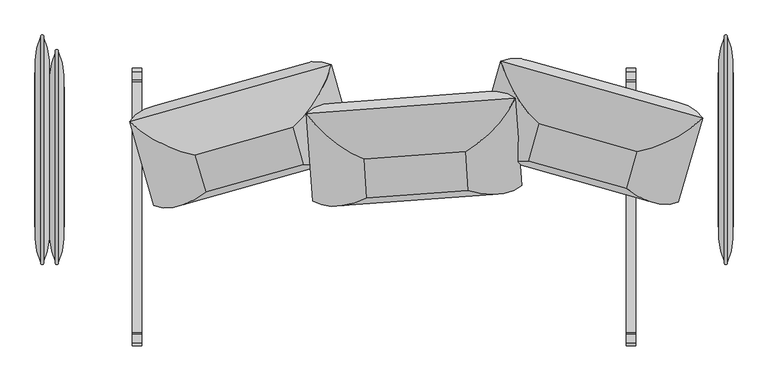
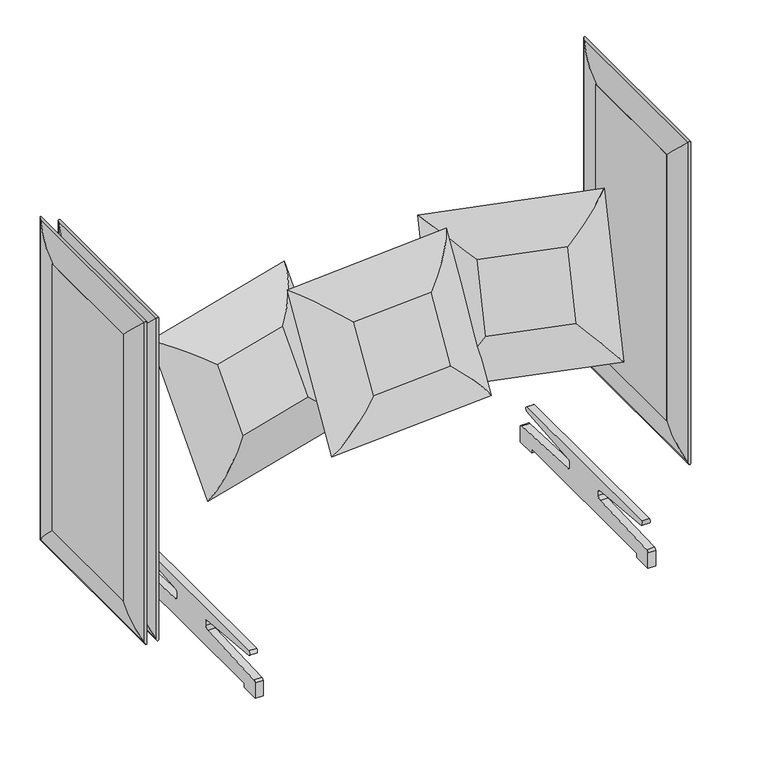
"""IFC4 building model written with IfcOpenShell, lengths in millimetres: furniture geometry."""

from ifc_helpers import new_model, si_unit, point, frame, frame_2d, origin, place, context, project, spatial, polyline, circle_curve, ellipse_curve, trimmed, segment, composite_curve, outline, extrude, source, transform, mapped, element, save
from ifc_brep_helpers import plane_surface, cylinder_surface, advanced_brep


def furniture_a6ee7dcc(model_context):
    return source(origin(), model_context, "Body", "SolidModel", [
        advanced_brep(
        [(874.0720019, -73.025, 1163.5628297), (874.0720019, -73.025, 238.959069), (888.816915, -166.1563317, 145.8277373), (888.816915, -166.1563317, 1256.6941614), (910.2779981, -73.025, 1163.5628297), (910.2779981, -73.025, 238.959069), (895.533085, -166.1563317, 1256.6941614), (895.533085, -166.1563317, 145.8277373), (874.0720019, 330.2, 238.959069), (888.816915, 423.3313317, 145.8277373), (910.2779981, 330.2, 238.959069), (895.533085, 423.3313317, 145.8277373), (874.0720019, 330.2, 1163.5628297), (888.816915, 423.3313317, 1256.6941614), (910.2779981, 330.2, 1163.5628297), (895.533085, 423.3313317, 1256.6941614)],
        [
            (0, 1),
            (1, 2, ellipse_curve(frame((1057.4693158, -91.7217286, 220.2623404), z_axis=(0.0, -0.7071067811865475, 0.7071067811865475), x_axis=(0.0, 0.7071067811865474, 0.7071067811865476)), 260.707278, 184.3478842)),
            (2, 3),
            (3, 0, ellipse_curve(frame((1057.4693158, -91.7217286, 1182.2595584), z_axis=(0.0, -0.7071067811865475, -0.7071067811865475), x_axis=(0.0, -0.7071067811865474, 0.7071067811865476)), 260.707278, 184.3478842)),
            (4, 5),
            (5, 1),
            (0, 4),
            (6, 7),
            (7, 5, ellipse_curve(frame((726.8806842, -91.7217286, 220.2623404), z_axis=(0.0, -0.7071067811865475, 0.7071067811865475), x_axis=(0.0, 0.7071067811865474, 0.7071067811865476)), 260.707278, 184.3478842)),
            (4, 6, ellipse_curve(frame((726.8806842, -91.7217286, 1182.2595584), z_axis=(0.0, -0.7071067811865475, -0.7071067811865475), x_axis=(0.0, -0.7071067811865474, 0.7071067811865476)), 260.707278, 184.3478842)),
            (2, 7, ellipse_curve(frame((892.175, -167.7744455, 144.2096235), z_axis=(0.0, -0.7071067811865475, 0.7071067811865475), x_axis=(0.0, 0.7071067811865474, 0.7071067811865476)), 5.2716273, 3.7276034)),
            (6, 3, ellipse_curve(frame((892.175, -167.7744455, 1258.3122753), z_axis=(0.0, -0.7071067811865475, -0.7071067811865475), x_axis=(0.0, -0.7071067811865474, 0.7071067811865476)), 5.2716273, 3.7276034)),
            (1, 8),
            (8, 9, ellipse_curve(frame((1057.4693158, 348.8967286, 220.2623404), z_axis=(0.0, -0.7071067811865475, -0.7071067811865475), x_axis=(0.0, -0.7071067811865476, 0.7071067811865474)), 260.707278, 184.3478842)),
            (9, 2),
            (5, 10),
            (10, 8),
            (7, 11),
            (11, 10, ellipse_curve(frame((726.8806842, 348.8967286, 220.2623404), z_axis=(0.0, -0.7071067811865475, -0.7071067811865475), x_axis=(0.0, -0.7071067811865476, 0.7071067811865474)), 260.707278, 184.3478842)),
            (9, 11, ellipse_curve(frame((892.175, 424.9494455, 144.2096235), z_axis=(0.0, -0.7071067811865475, -0.7071067811865475), x_axis=(0.0, -0.7071067811865476, 0.7071067811865474)), 5.2716273, 3.7276034)),
            (8, 12),
            (12, 13, ellipse_curve(frame((1057.4693158, 348.8967286, 1182.2595584), z_axis=(0.0, 0.7071067811865475, -0.7071067811865475), x_axis=(0.0, -0.7071067811865474, -0.7071067811865476)), 260.707278, 184.3478842)),
            (13, 9),
            (10, 14),
            (14, 12),
            (11, 15),
            (15, 14, ellipse_curve(frame((726.8806842, 348.8967286, 1182.2595584), z_axis=(0.0, 0.7071067811865475, -0.7071067811865475), x_axis=(0.0, -0.7071067811865474, -0.7071067811865476)), 260.707278, 184.3478842)),
            (13, 15, ellipse_curve(frame((892.175, 424.9494455, 1258.3122753), z_axis=(0.0, 0.7071067811865475, -0.7071067811865475), x_axis=(0.0, -0.7071067811865474, -0.7071067811865476)), 5.2716273, 3.7276034)),
            (12, 0),
            (3, 13),
            (14, 4),
            (15, 6),
        ],
        [
            cylinder_surface(frame((1057.4693158, -91.7217286, 1163.5628297), z_axis=(0.0, 0.0, 1.0), x_axis=(-1.0000000000000002, 0.0, 0.0)), 184.3478842),
            plane_surface(frame((874.0720019, -73.025, 1163.5628297), z_axis=(0.0, 1.0, 0.0), x_axis=(0.0, 0.0, -1.0))),
            cylinder_surface(frame((726.8806842, -91.7217286, 1163.5628297), z_axis=(0.0, 0.0, 1.0), x_axis=(-1.0000000000000002, 0.0, 0.0)), 184.3478842),
            cylinder_surface(frame((892.175, -167.7744455, 1163.5628297), z_axis=(0.0, 0.0, 1.0), x_axis=(-1.0000000000000002, 0.0, 0.0)), 3.7276034),
            cylinder_surface(frame((1057.4693158, -73.025, 220.2623404), z_axis=(0.0, -1.0000000000000002, 0.0), x_axis=(-1.0000000000000002, 0.0, 0.0)), 184.3478842),
            plane_surface(frame((874.0720019, -73.025, 238.959069), z_axis=(0.0, 0.0, 1.0), x_axis=(0.0, 1.0, 0.0))),
            cylinder_surface(frame((726.8806842, -73.025, 220.2623404), z_axis=(0.0, -1.0000000000000002, 0.0), x_axis=(-1.0000000000000002, 0.0, 0.0)), 184.3478842),
            cylinder_surface(frame((892.175, -73.025, 144.2096235), z_axis=(0.0, -1.0000000000000002, 0.0), x_axis=(-1.0000000000000002, 0.0, 0.0)), 3.7276034),
            cylinder_surface(frame((1057.4693158, 348.8967286, 238.959069), z_axis=(0.0, 0.0, -1.0), x_axis=(-1.0000000000000002, 0.0, 0.0)), 184.3478842),
            plane_surface(frame((874.0720019, 330.2, 238.959069), z_axis=(0.0, -1.0, 0.0), x_axis=(0.0, 0.0, 1.0))),
            cylinder_surface(frame((726.8806842, 348.8967286, 238.959069), z_axis=(0.0, 0.0, -1.0), x_axis=(-1.0000000000000002, 0.0, 0.0)), 184.3478842),
            cylinder_surface(frame((892.175, 424.9494455, 238.959069), z_axis=(0.0, 0.0, -1.0), x_axis=(-1.0000000000000002, 0.0, 0.0)), 3.7276034),
            cylinder_surface(frame((1057.4693158, 330.2, 1182.2595584), z_axis=(0.0, 1.0000000000000002, 0.0), x_axis=(-1.0000000000000002, 0.0, 0.0)), 184.3478842),
            plane_surface(frame((874.0720019, 330.2, 1163.5628297), z_axis=(0.0, 0.0, -1.0), x_axis=(0.0, -1.0, 0.0))),
            cylinder_surface(frame((726.8806842, 330.2, 1182.2595584), z_axis=(0.0, 1.0000000000000002, 0.0), x_axis=(-1.0000000000000002, 0.0, 0.0)), 184.3478842),
            cylinder_surface(frame((892.175, 330.2, 1258.3122753), z_axis=(0.0, 1.0000000000000002, 0.0), x_axis=(-1.0000000000000002, 0.0, 0.0)), 3.7276034),
        ],
        [
            (0, [[1, 2, 3, 4]]),
            (1, [[5, 6, -1, 7]]),
            (2, [[8, 9, -5, 10]]),
            (3, [[-3, 11, -8, 12]]),
            (4, [[13, 14, 15, -2]]),
            (5, [[16, 17, -13, -6]]),
            (6, [[18, 19, -16, -9]]),
            (7, [[-15, 20, -18, -11]]),
            (8, [[21, 22, 23, -14]]),
            (9, [[24, 25, -21, -17]]),
            (10, [[26, 27, -24, -19]]),
            (11, [[-23, 28, -26, -20]]),
            (12, [[29, -4, 30, -22]]),
            (13, [[31, -7, -29, -25]]),
            (14, [[32, -10, -31, -27]]),
            (15, [[-30, -12, -32, -28]]),
        ],
    ),
        extrude(outline(polyline([(911.225, 330.2), (911.225, -73.025), (873.125, -73.025), (873.125, 330.2), (911.225, 330.2)])), frame((0.0, 0.0, 238.959069), z_axis=(0.0, 0.0, 1.0), x_axis=(1.0, 0.0, 0.0)), (0.0, 0.0, 1.0), 924.6037607),
        advanced_brep(
        [(-835.9720019, -73.025, 1163.5628297), (-850.716915, -166.1563317, 1256.6941614), (-850.716915, -166.1563317, 145.8277373), (-835.9720019, -73.025, 238.959069), (-872.1779981, -73.025, 1163.5628297), (-872.1779981, -73.025, 238.959069), (-857.433085, -166.1563317, 1256.6941614), (-857.433085, -166.1563317, 145.8277373), (-850.716915, 385.2313317, 145.8277373), (-835.9720019, 292.1, 238.959069), (-872.1779981, 292.1, 238.959069), (-857.433085, 385.2313317, 145.8277373), (-850.716915, 385.2313317, 1256.6941614), (-835.9720019, 292.1, 1163.5628297), (-872.1779981, 292.1, 1163.5628297), (-857.433085, 385.2313317, 1256.6941614)],
        [
            (0, 1, ellipse_curve(frame((-1019.3693158, -91.7217286, 1182.2595584), z_axis=(0.0, -0.7071067811865475, -0.7071067811865475), x_axis=(0.0, -0.7071067811865474, 0.7071067811865476)), 260.707278, 184.3478842)),
            (1, 2),
            (2, 3, ellipse_curve(frame((-1019.3693158, -91.7217286, 220.2623404), z_axis=(0.0, -0.7071067811865475, 0.7071067811865475), x_axis=(0.0, 0.7071067811865474, 0.7071067811865476)), 260.707278, 184.3478842)),
            (3, 0),
            (4, 0),
            (3, 5),
            (5, 4),
            (6, 4, ellipse_curve(frame((-688.7806842, -91.7217286, 1182.2595584), z_axis=(0.0, -0.7071067811865475, -0.7071067811865475), x_axis=(0.0, -0.7071067811865474, 0.7071067811865476)), 260.707278, 184.3478842)),
            (5, 7, ellipse_curve(frame((-688.7806842, -91.7217286, 220.2623404), z_axis=(0.0, -0.7071067811865475, 0.7071067811865475), x_axis=(0.0, 0.7071067811865474, 0.7071067811865476)), 260.707278, 184.3478842)),
            (7, 6),
            (1, 6, ellipse_curve(frame((-854.075, -167.7744455, 1258.3122753), z_axis=(0.0, -0.7071067811865475, -0.7071067811865475), x_axis=(0.0, -0.7071067811865474, 0.7071067811865476)), 5.2716273, 3.7276034)),
            (7, 2, ellipse_curve(frame((-854.075, -167.7744455, 144.2096235), z_axis=(0.0, -0.7071067811865475, 0.7071067811865475), x_axis=(0.0, 0.7071067811865474, 0.7071067811865476)), 5.2716273, 3.7276034)),
            (2, 8),
            (8, 9, ellipse_curve(frame((-1019.3693158, 310.7967286, 220.2623404), z_axis=(0.0, -0.7071067811865475, -0.7071067811865475), x_axis=(0.0, -0.7071067811865476, 0.7071067811865474)), 260.707278, 184.3478842)),
            (9, 3),
            (9, 10),
            (10, 5),
            (10, 11, ellipse_curve(frame((-688.7806842, 310.7967286, 220.2623404), z_axis=(0.0, -0.7071067811865475, -0.7071067811865475), x_axis=(0.0, -0.7071067811865476, 0.7071067811865474)), 260.707278, 184.3478842)),
            (11, 7),
            (11, 8, ellipse_curve(frame((-854.075, 386.8494455, 144.2096235), z_axis=(0.0, -0.7071067811865475, -0.7071067811865475), x_axis=(0.0, -0.7071067811865476, 0.7071067811865474)), 5.2716273, 3.7276034)),
            (8, 12),
            (12, 13, ellipse_curve(frame((-1019.3693158, 310.7967286, 1182.2595584), z_axis=(0.0, 0.7071067811865475, -0.7071067811865475), x_axis=(0.0, -0.7071067811865474, -0.7071067811865476)), 260.707278, 184.3478842)),
            (13, 9),
            (13, 14),
            (14, 10),
            (14, 15, ellipse_curve(frame((-688.7806842, 310.7967286, 1182.2595584), z_axis=(0.0, 0.7071067811865475, -0.7071067811865475), x_axis=(0.0, -0.7071067811865474, -0.7071067811865476)), 260.707278, 184.3478842)),
            (15, 11),
            (15, 12, ellipse_curve(frame((-854.075, 386.8494455, 1258.3122753), z_axis=(0.0, 0.7071067811865475, -0.7071067811865475), x_axis=(0.0, -0.7071067811865474, -0.7071067811865476)), 5.2716273, 3.7276034)),
            (12, 1),
            (0, 13),
            (4, 14),
            (6, 15),
        ],
        [
            cylinder_surface(frame((-1019.3693158, -91.7217286, 1163.5628297), z_axis=(0.0, 0.0, 1.0), x_axis=(1.0000000000000002, 0.0, 0.0)), 184.3478842),
            plane_surface(frame((-835.9720019, -73.025, 1163.5628297), z_axis=(0.0, 1.0, 0.0), x_axis=(0.0, 0.0, -1.0))),
            cylinder_surface(frame((-688.7806842, -91.7217286, 1163.5628297), z_axis=(0.0, 0.0, 1.0), x_axis=(1.0000000000000002, 0.0, 0.0)), 184.3478842),
            cylinder_surface(frame((-854.075, -167.7744455, 1163.5628297), z_axis=(0.0, 0.0, 1.0), x_axis=(1.0000000000000002, 0.0, 0.0)), 3.7276034),
            cylinder_surface(frame((-1019.3693158, -73.025, 220.2623404), z_axis=(0.0, -1.0000000000000002, 0.0), x_axis=(1.0000000000000002, 0.0, 0.0)), 184.3478842),
            plane_surface(frame((-835.9720019, -73.025, 238.959069), z_axis=(0.0, 0.0, 1.0), x_axis=(0.0, 1.0, 0.0))),
            cylinder_surface(frame((-688.7806842, -73.025, 220.2623404), z_axis=(0.0, -1.0000000000000002, 0.0), x_axis=(1.0000000000000002, 0.0, 0.0)), 184.3478842),
            cylinder_surface(frame((-854.075, -73.025, 144.2096235), z_axis=(0.0, -1.0000000000000002, 0.0), x_axis=(1.0000000000000002, 0.0, 0.0)), 3.7276034),
            cylinder_surface(frame((-1019.3693158, 310.7967286, 238.959069), z_axis=(0.0, 0.0, -1.0), x_axis=(1.0000000000000002, 0.0, 0.0)), 184.3478842),
            plane_surface(frame((-835.9720019, 292.1, 238.959069), z_axis=(0.0, -1.0, 0.0), x_axis=(0.0, 0.0, 1.0))),
            cylinder_surface(frame((-688.7806842, 310.7967286, 238.959069), z_axis=(0.0, 0.0, -1.0), x_axis=(1.0000000000000002, 0.0, 0.0)), 184.3478842),
            cylinder_surface(frame((-854.075, 386.8494455, 238.959069), z_axis=(0.0, 0.0, -1.0), x_axis=(1.0000000000000002, 0.0, 0.0)), 3.7276034),
            cylinder_surface(frame((-1019.3693158, 292.1, 1182.2595584), z_axis=(0.0, 1.0000000000000002, 0.0), x_axis=(1.0000000000000002, 0.0, 0.0)), 184.3478842),
            plane_surface(frame((-835.9720019, 292.1, 1163.5628297), z_axis=(0.0, 0.0, -1.0), x_axis=(0.0, -1.0, 0.0))),
            cylinder_surface(frame((-688.7806842, 292.1, 1182.2595584), z_axis=(0.0, 1.0000000000000002, 0.0), x_axis=(1.0000000000000002, 0.0, 0.0)), 184.3478842),
            cylinder_surface(frame((-854.075, 292.1, 1258.3122753), z_axis=(0.0, 1.0000000000000002, 0.0), x_axis=(1.0000000000000002, 0.0, 0.0)), 3.7276034),
        ],
        [
            (0, [[1, 2, 3, 4]]),
            (1, [[5, -4, 6, 7]]),
            (2, [[8, -7, 9, 10]]),
            (3, [[11, -10, 12, -2]]),
            (4, [[-3, 13, 14, 15]]),
            (5, [[-6, -15, 16, 17]]),
            (6, [[-9, -17, 18, 19]]),
            (7, [[-12, -19, 20, -13]]),
            (8, [[-14, 21, 22, 23]]),
            (9, [[-16, -23, 24, 25]]),
            (10, [[-18, -25, 26, 27]]),
            (11, [[-20, -27, 28, -21]]),
            (12, [[-22, 29, -1, 30]]),
            (13, [[-24, -30, -5, 31]]),
            (14, [[-26, -31, -8, 32]]),
            (15, [[-28, -32, -11, -29]]),
        ],
    ),
        extrude(outline(polyline([(-873.125, 292.1), (-835.025, 292.1), (-835.025, -73.025), (-873.125, -73.025), (-873.125, 292.1)])), frame((0.0, 0.0, 238.959069), z_axis=(0.0, 0.0, 1.0), x_axis=(1.0, 0.0, 0.0)), (0.0, 0.0, 1.0), 924.6037607),
        advanced_brep(
        [(-874.0720019, -73.025, 1163.5628297), (-888.816915, -166.1563317, 1256.6941614), (-888.816915, -166.1563317, 145.8277373), (-874.0720019, -73.025, 238.959069), (-910.2779981, -73.025, 1163.5628297), (-910.2779981, -73.025, 238.959069), (-895.533085, -166.1563317, 1256.6941614), (-895.533085, -166.1563317, 145.8277373), (-888.816915, 423.3313317, 145.8277373), (-874.0720019, 330.2, 238.959069), (-910.2779981, 330.2, 238.959069), (-895.533085, 423.3313317, 145.8277373), (-888.816915, 423.3313317, 1256.6941614), (-874.0720019, 330.2, 1163.5628297), (-910.2779981, 330.2, 1163.5628297), (-895.533085, 423.3313317, 1256.6941614)],
        [
            (0, 1, ellipse_curve(frame((-1057.4693158, -91.7217286, 1182.2595584), z_axis=(0.0, -0.7071067811865475, -0.7071067811865475), x_axis=(0.0, -0.7071067811865474, 0.7071067811865476)), 260.707278, 184.3478842)),
            (1, 2),
            (2, 3, ellipse_curve(frame((-1057.4693158, -91.7217286, 220.2623404), z_axis=(0.0, -0.7071067811865475, 0.7071067811865475), x_axis=(0.0, 0.7071067811865474, 0.7071067811865476)), 260.707278, 184.3478842)),
            (3, 0),
            (4, 0),
            (3, 5),
            (5, 4),
            (6, 4, ellipse_curve(frame((-726.8806842, -91.7217286, 1182.2595584), z_axis=(0.0, -0.7071067811865475, -0.7071067811865475), x_axis=(0.0, -0.7071067811865474, 0.7071067811865476)), 260.707278, 184.3478842)),
            (5, 7, ellipse_curve(frame((-726.8806842, -91.7217286, 220.2623404), z_axis=(0.0, -0.7071067811865475, 0.7071067811865475), x_axis=(0.0, 0.7071067811865474, 0.7071067811865476)), 260.707278, 184.3478842)),
            (7, 6),
            (1, 6, ellipse_curve(frame((-892.175, -167.7744455, 1258.3122753), z_axis=(0.0, -0.7071067811865475, -0.7071067811865475), x_axis=(0.0, -0.7071067811865474, 0.7071067811865476)), 5.2716273, 3.7276034)),
            (7, 2, ellipse_curve(frame((-892.175, -167.7744455, 144.2096235), z_axis=(0.0, -0.7071067811865475, 0.7071067811865475), x_axis=(0.0, 0.7071067811865474, 0.7071067811865476)), 5.2716273, 3.7276034)),
            (2, 8),
            (8, 9, ellipse_curve(frame((-1057.4693158, 348.8967286, 220.2623404), z_axis=(0.0, -0.7071067811865475, -0.7071067811865475), x_axis=(0.0, -0.7071067811865476, 0.7071067811865474)), 260.707278, 184.3478842)),
            (9, 3),
            (9, 10),
            (10, 5),
            (10, 11, ellipse_curve(frame((-726.8806842, 348.8967286, 220.2623404), z_axis=(0.0, -0.7071067811865475, -0.7071067811865475), x_axis=(0.0, -0.7071067811865476, 0.7071067811865474)), 260.707278, 184.3478842)),
            (11, 7),
            (11, 8, ellipse_curve(frame((-892.175, 424.9494455, 144.2096235), z_axis=(0.0, -0.7071067811865475, -0.7071067811865475), x_axis=(0.0, -0.7071067811865476, 0.7071067811865474)), 5.2716273, 3.7276034)),
            (8, 12),
            (12, 13, ellipse_curve(frame((-1057.4693158, 348.8967286, 1182.2595584), z_axis=(0.0, 0.7071067811865475, -0.7071067811865475), x_axis=(0.0, -0.7071067811865474, -0.7071067811865476)), 260.707278, 184.3478842)),
            (13, 9),
            (13, 14),
            (14, 10),
            (14, 15, ellipse_curve(frame((-726.8806842, 348.8967286, 1182.2595584), z_axis=(0.0, 0.7071067811865475, -0.7071067811865475), x_axis=(0.0, -0.7071067811865474, -0.7071067811865476)), 260.707278, 184.3478842)),
            (15, 11),
            (15, 12, ellipse_curve(frame((-892.175, 424.9494455, 1258.3122753), z_axis=(0.0, 0.7071067811865475, -0.7071067811865475), x_axis=(0.0, -0.7071067811865474, -0.7071067811865476)), 5.2716273, 3.7276034)),
            (12, 1),
            (0, 13),
            (4, 14),
            (6, 15),
        ],
        [
            cylinder_surface(frame((-1057.4693158, -91.7217286, 1163.5628297), z_axis=(0.0, 0.0, 1.0), x_axis=(1.0000000000000002, 0.0, 0.0)), 184.3478842),
            plane_surface(frame((-874.0720019, -73.025, 1163.5628297), z_axis=(0.0, 1.0, 0.0), x_axis=(0.0, 0.0, -1.0))),
            cylinder_surface(frame((-726.8806842, -91.7217286, 1163.5628297), z_axis=(0.0, 0.0, 1.0), x_axis=(1.0000000000000002, 0.0, 0.0)), 184.3478842),
            cylinder_surface(frame((-892.175, -167.7744455, 1163.5628297), z_axis=(0.0, 0.0, 1.0), x_axis=(1.0000000000000002, 0.0, 0.0)), 3.7276034),
            cylinder_surface(frame((-1057.4693158, -73.025, 220.2623404), z_axis=(0.0, -1.0000000000000002, 0.0), x_axis=(1.0000000000000002, 0.0, 0.0)), 184.3478842),
            plane_surface(frame((-874.0720019, -73.025, 238.959069), z_axis=(0.0, 0.0, 1.0), x_axis=(0.0, 1.0, 0.0))),
            cylinder_surface(frame((-726.8806842, -73.025, 220.2623404), z_axis=(0.0, -1.0000000000000002, 0.0), x_axis=(1.0000000000000002, 0.0, 0.0)), 184.3478842),
            cylinder_surface(frame((-892.175, -73.025, 144.2096235), z_axis=(0.0, -1.0000000000000002, 0.0), x_axis=(1.0000000000000002, 0.0, 0.0)), 3.7276034),
            cylinder_surface(frame((-1057.4693158, 348.8967286, 238.959069), z_axis=(0.0, 0.0, -1.0), x_axis=(1.0000000000000002, 0.0, 0.0)), 184.3478842),
            plane_surface(frame((-874.0720019, 330.2, 238.959069), z_axis=(0.0, -1.0, 0.0), x_axis=(0.0, 0.0, 1.0))),
            cylinder_surface(frame((-726.8806842, 348.8967286, 238.959069), z_axis=(0.0, 0.0, -1.0), x_axis=(1.0000000000000002, 0.0, 0.0)), 184.3478842),
            cylinder_surface(frame((-892.175, 424.9494455, 238.959069), z_axis=(0.0, 0.0, -1.0), x_axis=(1.0000000000000002, 0.0, 0.0)), 3.7276034),
            cylinder_surface(frame((-1057.4693158, 330.2, 1182.2595584), z_axis=(0.0, 1.0000000000000002, 0.0), x_axis=(1.0000000000000002, 0.0, 0.0)), 184.3478842),
            plane_surface(frame((-874.0720019, 330.2, 1163.5628297), z_axis=(0.0, 0.0, -1.0), x_axis=(0.0, -1.0, 0.0))),
            cylinder_surface(frame((-726.8806842, 330.2, 1182.2595584), z_axis=(0.0, 1.0000000000000002, 0.0), x_axis=(1.0000000000000002, 0.0, 0.0)), 184.3478842),
            cylinder_surface(frame((-892.175, 330.2, 1258.3122753), z_axis=(0.0, 1.0000000000000002, 0.0), x_axis=(1.0000000000000002, 0.0, 0.0)), 3.7276034),
        ],
        [
            (0, [[1, 2, 3, 4]]),
            (1, [[5, -4, 6, 7]]),
            (2, [[8, -7, 9, 10]]),
            (3, [[11, -10, 12, -2]]),
            (4, [[-3, 13, 14, 15]]),
            (5, [[-6, -15, 16, 17]]),
            (6, [[-9, -17, 18, 19]]),
            (7, [[-12, -19, 20, -13]]),
            (8, [[-14, 21, 22, 23]]),
            (9, [[-16, -23, 24, 25]]),
            (10, [[-18, -25, 26, 27]]),
            (11, [[-20, -27, 28, -21]]),
            (12, [[-22, 29, -1, 30]]),
            (13, [[-24, -30, -5, 31]]),
            (14, [[-26, -31, -8, 32]]),
            (15, [[-28, -32, -11, -29]]),
        ],
    ),
        extrude(outline(polyline([(-911.225, 330.2), (-873.125, 330.2), (-873.125, -73.025), (-911.225, -73.025), (-911.225, 330.2)])), frame((0.0, 0.0, 238.959069), z_axis=(0.0, 0.0, 1.0), x_axis=(1.0, 0.0, 0.0)), (0.0, 0.0, 1.0), 924.6037607),
        advanced_brep(
        [(-46.1421462, 2.8439931, 601.3597902), (-53.1616636, 103.6206957, 799.6219453), (-202.3532921, 222.9580979, 890.9951012), (-186.4902406, -4.782063, 442.9525085), (-63.3570045, 239.0268967, 730.4339713), (-56.3374871, 138.2501941, 532.1718162), (212.8310088, 123.3391565, 799.0165788), (343.2073895, 263.401381, 889.7534724), (202.635668, 258.7453576, 729.8286048), (219.8505263, 22.5624539, 600.7544237), (359.070441, 35.6612201, 441.7108798), (209.6551854, 157.968655, 531.5664497)],
        [
            (0, 1),
            (1, 2, ellipse_curve(frame((-56.1754695, 265.7124612, 706.8116554), z_axis=(-0.682863446772471, -0.3725223892997134, -0.6284302527189898), x_axis=(0.7274765257201012, -0.26797163879017943, -0.6316400124519633)), 263.8641638, 186.5801395)),
            (2, 3),
            (3, 0, ellipse_curve(frame((-49.7356644, 173.2584812, 524.923135), z_axis=(-0.7274765257201, 0.26797163879018027, 0.6316400124519643), x_axis=(-0.6828634467724722, -0.3725223892997128, -0.6284302527189888)), 263.8641638, 186.5801395)),
            (2, 4, ellipse_curve(frame((-46.8199679, 82.8934763, 805.0176771), z_axis=(-0.682863446772471, -0.3725223892997134, -0.6284302527189898), x_axis=(0.7274765257201012, -0.26797163879017943, -0.6316400124519633)), 245.7274984, 173.7555804)),
            (4, 5),
            (5, 3, ellipse_curve(frame((-40.1020163, -13.5537546, 615.2730698), z_axis=(-0.7274765257201, 0.26797163879018027, 0.6316400124519643), x_axis=(-0.6828634467724722, -0.3725223892997128, -0.6284302527189888)), 245.7274984, 173.7555804)),
            (1, 6),
            (6, 7, ellipse_curve(frame((191.4909301, 284.0723663, 706.2479973), z_axis=(-0.7274765257201008, 0.26797163879017943, 0.6316400124519638), x_axis=(-0.6828634467724717, -0.3725223892997128, -0.6284302527189893)), 263.8641638, 186.5801395)),
            (7, 2),
            (7, 8, ellipse_curve(frame((209.6393964, 101.9052179, 804.4340072), z_axis=(-0.7274765257201008, 0.26797163879017943, 0.6316400124519638), x_axis=(-0.6828634467724717, -0.3725223892997128, -0.6284302527189893)), 245.7274984, 173.7555804)),
            (8, 4),
            (6, 9),
            (9, 10, ellipse_curve(frame((197.9307352, 191.6183862, 524.3594769), z_axis=(0.6828634467724729, 0.3725223892997124, 0.6284302527189884), x_axis=(-0.7274765257200996, 0.2679716387901802, 0.631640012451965)), 263.8641638, 186.5801395)),
            (10, 7),
            (10, 11, ellipse_curve(frame((216.3573481, 5.4579869, 614.6893999), z_axis=(0.6828634467724729, 0.3725223892997124, 0.6284302527189884), x_axis=(-0.7274765257200996, 0.2679716387901802, 0.631640012451965)), 245.7274984, 173.7555804)),
            (11, 8),
            (3, 10),
            (9, 0),
            (5, 11),
        ],
        [
            cylinder_surface(frame((-49.4458083, 169.0971199, 516.7363177), z_axis=(0.03154621065347943, -0.4528976705718505, -0.8910042292739123), x_axis=(0.9972609583279474, 0.07392854466343413, -0.0022696428731658037)), 186.5801395),
            cylinder_surface(frame((-39.9512334, -15.7184904, 611.0142959), z_axis=(0.03154621065347943, -0.4528976705718505, -0.8910042292739123), x_axis=(0.9972609583279474, 0.07392854466343413, -0.0022696428731658037)), 173.7555804),
            cylinder_surface(frame((-65.338606, 265.0331833, 706.8325096), z_axis=(-0.9972609583279473, -0.0739285446634347, 0.0022696428731643573), x_axis=(0.03154621065348094, -0.45289767057184993, -0.8910042292739123)), 186.5801395),
            cylinder_surface(frame((-51.586622, 82.5401167, 805.0285254), z_axis=(-0.9972609583279473, -0.0739285446634347, 0.0022696428731643573), x_axis=(0.03154621065348094, -0.45289767057184993, -0.8910042292739123)), 173.7555804),
            cylinder_surface(frame((191.2010739, 288.2337275, 714.4348146), z_axis=(-0.03154621065347814, 0.4528976705718502, 0.8910042292739125), x_axis=(-0.9972609583279475, -0.07392854466343347, 0.0022696428731668883)), 186.5801395),
            cylinder_surface(frame((209.4886135, 104.0699537, 808.6927811), z_axis=(-0.03154621065347814, 0.4528976705718502, 0.8910042292739125), x_axis=(-0.9972609583279475, -0.07392854466343347, 0.0022696428731668883)), 173.7555804),
            cylinder_surface(frame((207.0938716, 192.2976642, 524.3386227), z_axis=(0.9972609583279473, 0.07392854466343284, -0.00226964287316752), x_axis=(-0.03154621065347727, 0.45289767057184993, 0.8910042292739123)), 186.5801395),
            cylinder_surface(frame((221.1240021, 5.8113466, 614.6785516), z_axis=(0.9972609583279473, 0.07392854466343284, -0.00226964287316752), x_axis=(-0.03154621065347727, 0.45289767057184993, 0.8910042292739123)), 173.7555804),
            plane_surface(frame((219.8505263, 22.5624539, 600.7544237), z_axis=(0.06689856192947163, -0.8884921329277704, 0.4539893304222359), x_axis=(-0.9972609583279469, -0.0739285446634333, 0.0022696428731668085))),
            plane_surface(frame((209.6551854, 157.968655, 531.5664497), z_axis=(-0.06689856192947163, 0.8884921329277704, -0.4539893304222359), x_axis=(0.9972609583279469, 0.0739285446634333, -0.0022696428731668085))),
        ],
        [
            (0, [[1, 2, 3, 4]]),
            (1, [[5, 6, 7, -3]]),
            (2, [[8, 9, 10, -2]]),
            (3, [[-10, 11, 12, -5]]),
            (4, [[13, 14, 15, -9]]),
            (5, [[-15, 16, 17, -11]]),
            (6, [[18, -14, 19, -4]]),
            (7, [[20, -16, -18, -7]]),
            (8, [[-19, -13, -8, -1]]),
            (9, [[-12, -17, -20, -6]]),
        ],
    ),
        advanced_brep(
        [(376.6555495, 99.1542064, 601.3597902), (404.527023, 196.2541465, 799.6219453), (305.1485461, 359.421165, 890.9951012), (242.1632161, 139.9899332, 442.9525085), (441.2581848, 326.9813664, 730.4339713), (413.3867112, 229.8814263, 532.1718162), (661.2224853, 123.8085867, 799.0165788), (831.6403102, 210.8326771, 889.7534724), (697.9536471, 254.5358066, 729.8286048), (633.3510118, 26.7086466, 600.7544237), (768.6549802, -8.5985547, 441.7108798), (670.0821735, 157.4358665, 531.5664497)],
        [
            (0, 1),
            (1, 2, ellipse_curve(frame((457.1336207, 349.6013648, 706.8116554), z_axis=(-0.7690919029168296, -0.11650348636550059, -0.6284302527189898), x_axis=(0.5919526247079211, -0.500622597143883, -0.6316400124519633)), 263.8641638, 186.5801395)),
            (2, 3),
            (3, 0, ellipse_curve(frame((431.5639346, 260.520499, 524.923135), z_axis=(-0.5919526247079198, 0.5006225971438834, 0.6316400124519643), x_axis=(-0.7690919029168306, -0.11650348636549968, -0.6284302527189888)), 263.8641638, 186.5801395)),
            (2, 4, ellipse_curve(frame((403.3971411, 174.6079438, 805.0176771), z_axis=(-0.7690919029168296, -0.11650348636550059, -0.6284302527189898), x_axis=(0.5919526247079211, -0.500622597143883, -0.6316400124519633)), 245.7274984, 173.7555804)),
            (4, 5),
            (5, 3, ellipse_curve(frame((376.723055, 81.6795178, 615.2730698), z_axis=(-0.5919526247079198, 0.5006225971438834, 0.6316400124519643), x_axis=(-0.7690919029168306, -0.11650348636549968, -0.6284302527189888)), 245.7274984, 173.7555804)),
            (1, 6),
            (6, 7, ellipse_curve(frame((696.1433662, 282.1471346, 706.2479973), z_axis=(-0.5919526247079208, 0.5006225971438829, 0.6316400124519639), x_axis=(-0.7690919029168299, -0.11650348636549994, -0.6284302527189896)), 263.8641638, 186.5801395)),
            (7, 2),
            (7, 8, ellipse_curve(frame((650.8925119, 104.7588685, 804.4340072), z_axis=(-0.5919526247079208, 0.5006225971438829, 0.6316400124519639), x_axis=(-0.7690919029168299, -0.11650348636549994, -0.6284302527189896)), 245.7274984, 173.7555804)),
            (8, 4),
            (6, 9),
            (9, 10, ellipse_curve(frame((670.57368, 193.0662688, 524.3594769), z_axis=(0.769091902916831, 0.11650348636549901, 0.6284302527189884), x_axis=(-0.5919526247079193, 0.5006225971438832, 0.6316400124519651)), 263.8641638, 186.5801395)),
            (10, 7),
            (10, 11, ellipse_curve(frame((624.2184258, 11.8304425, 614.6893999), z_axis=(0.769091902916831, 0.11650348636549901, 0.6284302527189884), x_axis=(-0.5919526247079193, 0.5006225971438832, 0.6316400124519651)), 245.7274984, 173.7555804)),
            (11, 8),
            (3, 10),
            (9, 0),
            (5, 11),
        ],
        [
            cylinder_surface(frame((430.4130409, 256.5109619, 516.7363177), z_axis=(-0.1252563848360104, -0.43637403849658074, -0.8910042292739123), x_axis=(0.9624038149803031, -0.2716132280147413, -0.0022696428731658037)), 186.5801395),
            cylinder_surface(frame((376.1243613, 79.5937607, 611.0142959), z_axis=(-0.1252563848360104, -0.43637403849658074, -0.8910042292739123), x_axis=(0.9624038149803031, -0.2716132280147413, -0.0022696428731658037)), 173.7555804),
            cylinder_surface(frame((448.2907623, 352.0970296, 706.8325096), z_axis=(-0.9624038149803031, 0.2716132280147407, 0.0022696428731643573), x_axis=(-0.1252563848360088, -0.43637403849658074, -0.8910042292739123)), 186.5801395),
            cylinder_surface(frame((398.7970954, 175.906186, 805.0285254), z_axis=(-0.9624038149803031, 0.2716132280147407, 0.0022696428731643573), x_axis=(-0.1252563848360088, -0.43637403849658074, -0.8910042292739123)), 173.7555804),
            cylinder_surface(frame((697.2942599, 286.1566718, 714.4348146), z_axis=(0.12525638483601154, 0.4363740384965801, 0.8910042292739125), x_axis=(-0.9624038149803029, 0.2716132280147419, 0.0022696428731668883)), 186.5801395),
            cylinder_surface(frame((651.4912056, 106.8446255, 808.6927811), z_axis=(0.12525638483601154, 0.4363740384965801, 0.8910042292739125), x_axis=(-0.9624038149803029, 0.2716132280147419, 0.0022696428731668883)), 173.7555804),
            cylinder_surface(frame((679.4165385, 190.570604, 524.3386227), z_axis=(0.9624038149803026, -0.2716132280147424, -0.00226964287316752), x_axis=(0.12525638483601226, 0.43637403849657946, 0.8910042292739123)), 186.5801395),
            cylinder_surface(frame((628.8184716, 10.5322002, 614.6785516), z_axis=(0.9624038149803026, -0.2716132280147424, -0.00226964287316752), x_axis=(0.12525638483601226, 0.43637403849657946, 0.8910042292739123)), 173.7555804),
            plane_surface(frame((633.3510118, 26.7086466, 600.7544237), z_axis=(-0.24101812166136574, -0.8577901566779589, 0.4539893304222359), x_axis=(-0.9624038149803024, 0.2716132280147419, 0.0022696428731668085))),
            plane_surface(frame((670.0821735, 157.4358665, 531.5664497), z_axis=(0.24101812166136574, 0.8577901566779589, -0.4539893304222359), x_axis=(0.9624038149803024, -0.2716132280147419, -0.0022696428731668085))),
        ],
        [
            (0, [[1, 2, 3, 4]]),
            (1, [[5, 6, 7, -3]]),
            (2, [[8, 9, 10, -2]]),
            (3, [[-10, 11, 12, -5]]),
            (4, [[13, 14, 15, -9]]),
            (5, [[-15, 16, 17, -11]]),
            (6, [[18, -14, 19, -4]]),
            (7, [[20, -16, -18, -7]]),
            (8, [[-19, -13, -8, -1]]),
            (9, [[-12, -17, -20, -6]]),
        ],
    ),
        advanced_brep(
        [(-208.9661217, 90.1333186, 601.3597902), (-74.4737882, 130.9690454, 442.9525085), (-137.4591182, 350.4002772, 890.9951012), (-236.8375952, 187.2332588, 799.6219453), (-245.6972834, 220.8605385, 532.1718162), (-273.5687569, 317.9604786, 730.4339713), (-663.9508824, 201.8117893, 889.7534724), (-493.5330575, 114.787699, 799.0165788), (-530.2642193, 245.5149188, 729.8286048), (-600.9655524, -17.6194425, 441.7108798), (-465.661584, 17.6877588, 600.7544237), (-502.3927457, 148.4149787, 531.5664497)],
        [
            (0, 1, ellipse_curve(frame((-263.8745068, 251.4996112, 524.923135), z_axis=(0.5919526247079198, 0.5006225971438834, 0.6316400124519643), x_axis=(0.7690919029168306, -0.11650348636549968, -0.6284302527189888)), 263.8641638, 186.5801395)),
            (1, 2),
            (2, 3, ellipse_curve(frame((-289.4441929, 340.5804771, 706.8116554), z_axis=(0.7690919029168296, -0.11650348636550059, -0.6284302527189898), x_axis=(-0.5919526247079211, -0.500622597143883, -0.6316400124519633)), 263.8641638, 186.5801395)),
            (3, 0),
            (1, 4, ellipse_curve(frame((-209.0336272, 72.65863, 615.2730698), z_axis=(0.5919526247079198, 0.5006225971438834, 0.6316400124519643), x_axis=(0.7690919029168306, -0.11650348636549968, -0.6284302527189888)), 245.7274984, 173.7555804)),
            (4, 5),
            (5, 2, ellipse_curve(frame((-235.7077133, 165.587056, 805.0176771), z_axis=(0.7690919029168296, -0.11650348636550059, -0.6284302527189898), x_axis=(-0.5919526247079211, -0.500622597143883, -0.6316400124519633)), 245.7274984, 173.7555804)),
            (2, 6),
            (6, 7, ellipse_curve(frame((-528.4539384, 273.1262469, 706.2479973), z_axis=(0.5919526247079208, 0.5006225971438829, 0.6316400124519639), x_axis=(0.7690919029168299, -0.11650348636549994, -0.6284302527189896)), 263.8641638, 186.5801395)),
            (7, 3),
            (5, 8),
            (8, 6, ellipse_curve(frame((-483.2030841, 95.7379807, 804.4340072), z_axis=(0.5919526247079208, 0.5006225971438829, 0.6316400124519639), x_axis=(0.7690919029168299, -0.11650348636549994, -0.6284302527189896)), 245.7274984, 173.7555804)),
            (6, 9),
            (9, 10, ellipse_curve(frame((-502.8842522, 184.045381, 524.3594769), z_axis=(-0.769091902916831, 0.11650348636549901, 0.6284302527189884), x_axis=(0.5919526247079193, 0.5006225971438832, 0.6316400124519651)), 263.8641638, 186.5801395)),
            (10, 7),
            (8, 11),
            (11, 9, ellipse_curve(frame((-456.528998, 2.8095547, 614.6893999), z_axis=(-0.769091902916831, 0.11650348636549901, 0.6284302527189884), x_axis=(0.5919526247079193, 0.5006225971438832, 0.6316400124519651)), 245.7274984, 173.7555804)),
            (0, 10),
            (9, 1),
            (11, 4),
        ],
        [
            cylinder_surface(frame((-262.7236131, 247.4900741, 516.7363177), z_axis=(0.1252563848360104, -0.43637403849658074, -0.8910042292739123), x_axis=(-0.9624038149803031, -0.2716132280147413, -0.0022696428731658037)), 186.5801395),
            cylinder_surface(frame((-208.4349335, 70.572873, 611.0142959), z_axis=(0.1252563848360104, -0.43637403849658074, -0.8910042292739123), x_axis=(-0.9624038149803031, -0.2716132280147413, -0.0022696428731658037)), 173.7555804),
            cylinder_surface(frame((-280.6013345, 343.0761419, 706.8325096), z_axis=(0.9624038149803031, 0.2716132280147407, 0.0022696428731643573), x_axis=(0.1252563848360088, -0.43637403849658074, -0.8910042292739123)), 186.5801395),
            cylinder_surface(frame((-231.1076676, 166.8852983, 805.0285254), z_axis=(0.9624038149803031, 0.2716132280147407, 0.0022696428731643573), x_axis=(0.1252563848360088, -0.43637403849658074, -0.8910042292739123)), 173.7555804),
            cylinder_surface(frame((-529.6048321, 277.135784, 714.4348146), z_axis=(-0.12525638483601154, 0.4363740384965801, 0.8910042292739125), x_axis=(0.9624038149803029, 0.2716132280147419, 0.0022696428731668883)), 186.5801395),
            cylinder_surface(frame((-483.8017778, 97.8237378, 808.6927811), z_axis=(-0.12525638483601154, 0.4363740384965801, 0.8910042292739125), x_axis=(0.9624038149803029, 0.2716132280147419, 0.0022696428731668883)), 173.7555804),
            cylinder_surface(frame((-511.7271107, 181.5497162, 524.3386227), z_axis=(-0.9624038149803026, -0.2716132280147424, -0.00226964287316752), x_axis=(-0.12525638483601226, 0.43637403849657946, 0.8910042292739123)), 186.5801395),
            cylinder_surface(frame((-461.1290437, 1.5113125, 614.6785516), z_axis=(-0.9624038149803026, -0.2716132280147424, -0.00226964287316752), x_axis=(-0.12525638483601226, 0.43637403849657946, 0.8910042292739123)), 173.7555804),
            plane_surface(frame((-465.661584, 17.6877588, 600.7544237), z_axis=(0.24101812166136574, -0.8577901566779589, 0.4539893304222359), x_axis=(0.9624038149803024, 0.2716132280147419, 0.0022696428731668085))),
            plane_surface(frame((-502.3927457, 148.4149787, 531.5664497), z_axis=(-0.24101812166136574, 0.8577901566779589, -0.4539893304222359), x_axis=(-0.9624038149803024, -0.2716132280147419, -0.0022696428731668085))),
        ],
        [
            (0, [[1, 2, 3, 4]]),
            (1, [[-2, 5, 6, 7]]),
            (2, [[-3, 8, 9, 10]]),
            (3, [[-7, 11, 12, -8]]),
            (4, [[-9, 13, 14, 15]]),
            (5, [[-12, 16, 17, -13]]),
            (6, [[-1, 18, -14, 19]]),
            (7, [[-5, -19, -17, 20]]),
            (8, [[-4, -10, -15, -18]]),
            (9, [[-6, -20, -16, -11]]),
        ],
    ),
        extrude(outline(composite_curve([segment(trimmed(circle_curve(frame_2d((301.6025981, 135.0287131)), 8.2813281), [point((305.0998594, 142.5353474))], [point((304.4846526, 127.2650698))], False, "CARTESIAN"), True, "CONTINUOUS"), segment(polyline([(304.4846526, 127.2650698), (67.9746703, 105.9960919)]), True, "CONTINUOUS"), segment(trimmed(circle_curve(frame_2d((67.9746703, 97.554557)), 8.4415349), [point((67.9746703, 105.9960919))], [point((59.5331354, 97.554557))], True, "CARTESIAN"), True, "CONTINUOUS"), segment(polyline([(59.5331354, 97.554557), (59.5331354, 81.9730579)]), True, "CONTINUOUS"), segment(trimmed(circle_curve(frame_2d((70.0389157, 81.9730579)), 10.5057802), [point((59.5331354, 81.9730579))], [point((70.0389157, 71.4672776))], True, "CARTESIAN"), True, "CONTINUOUS"), segment(polyline([(70.0389157, 71.4672776), (333.1747619, 60.2417308)]), True, "CONTINUOUS"), segment(trimmed(circle_curve(frame_2d((332.8044735, 51.5618743)), 8.6877512), [point((333.1747619, 60.2417308))], [point((341.2881636, 53.4337784))], False, "CARTESIAN"), True, "CONTINUOUS"), segment(polyline([(341.2881636, 53.4337784), (341.2881636, 0.0), (277.6339056, 0.0), (277.6339056, 13.4697401), (-320.5207421, 13.4697401), (-320.5207421, 0.0), (-384.175, 0.0), (-384.175, 53.4337784)]), True, "CONTINUOUS"), segment(trimmed(circle_curve(frame_2d((-375.69131, 51.5618743)), 8.6877512), [point((-384.175, 53.4337784))], [point((-376.0615983, 60.2417308))], False, "CARTESIAN"), True, "CONTINUOUS"), segment(polyline([(-376.0615983, 60.2417308), (-112.9257521, 71.4672776)]), True, "CONTINUOUS"), segment(trimmed(circle_curve(frame_2d((-112.9257521, 81.9730579)), 10.5057802), [point((-112.9257521, 71.4672776))], [point((-102.4199718, 81.9730579))], True, "CARTESIAN"), True, "CONTINUOUS"), segment(polyline([(-102.4199718, 81.9730579), (-102.4199718, 97.554557)]), True, "CONTINUOUS"), segment(trimmed(circle_curve(frame_2d((-110.8615067, 97.554557)), 8.4415349), [point((-102.4199718, 97.554557))], [point((-110.8615067, 105.9960919))], True, "CARTESIAN"), True, "CONTINUOUS"), segment(polyline([(-110.8615067, 105.9960919), (-347.371489, 127.2650698)]), True, "CONTINUOUS"), segment(trimmed(circle_curve(frame_2d((-344.4894345, 135.0287131)), 8.2813281), [point((-347.371489, 127.2650698))], [point((-347.9866958, 142.5353474))], False, "CARTESIAN"), True, "CONTINUOUS"), segment(polyline([(-347.9866958, 142.5353474), (305.0998594, 142.5353474)]), True, "CONTINUOUS")], self_intersect=False)), frame((631.825, 0.0, 0.0), z_axis=(1.0, 0.0, 0.0), x_axis=(0.0, 1.0, 0.0)), (0.0, 0.0, 1.0), 25.4),
        extrude(outline(composite_curve([segment(trimmed(circle_curve(frame_2d((301.6025981, 135.0287131)), 8.2813281), [point((305.0998594, 142.5353474))], [point((304.4846526, 127.2650698))], False, "CARTESIAN"), True, "CONTINUOUS"), segment(polyline([(304.4846526, 127.2650698), (67.9746703, 105.9960919)]), True, "CONTINUOUS"), segment(trimmed(circle_curve(frame_2d((67.9746703, 97.554557)), 8.4415349), [point((67.9746703, 105.9960919))], [point((59.5331354, 97.554557))], True, "CARTESIAN"), True, "CONTINUOUS"), segment(polyline([(59.5331354, 97.554557), (59.5331354, 81.9730579)]), True, "CONTINUOUS"), segment(trimmed(circle_curve(frame_2d((70.0389157, 81.9730579)), 10.5057802), [point((59.5331354, 81.9730579))], [point((70.0389157, 71.4672776))], True, "CARTESIAN"), True, "CONTINUOUS"), segment(polyline([(70.0389157, 71.4672776), (333.1747619, 60.2417308)]), True, "CONTINUOUS"), segment(trimmed(circle_curve(frame_2d((332.8044735, 51.5618743)), 8.6877512), [point((333.1747619, 60.2417308))], [point((341.2881636, 53.4337784))], False, "CARTESIAN"), True, "CONTINUOUS"), segment(polyline([(341.2881636, 53.4337784), (341.2881636, 0.0), (277.6339056, 0.0), (277.6339056, 13.4697401), (-320.5207421, 13.4697401), (-320.5207421, 0.0), (-384.175, 0.0), (-384.175, 53.4337784)]), True, "CONTINUOUS"), segment(trimmed(circle_curve(frame_2d((-375.69131, 51.5618743)), 8.6877512), [point((-384.175, 53.4337784))], [point((-376.0615983, 60.2417308))], False, "CARTESIAN"), True, "CONTINUOUS"), segment(polyline([(-376.0615983, 60.2417308), (-112.9257521, 71.4672776)]), True, "CONTINUOUS"), segment(trimmed(circle_curve(frame_2d((-112.9257521, 81.9730579)), 10.5057802), [point((-112.9257521, 71.4672776))], [point((-102.4199718, 81.9730579))], True, "CARTESIAN"), True, "CONTINUOUS"), segment(polyline([(-102.4199718, 81.9730579), (-102.4199718, 97.554557)]), True, "CONTINUOUS"), segment(trimmed(circle_curve(frame_2d((-110.8615067, 97.554557)), 8.4415349), [point((-102.4199718, 97.554557))], [point((-110.8615067, 105.9960919))], True, "CARTESIAN"), True, "CONTINUOUS"), segment(polyline([(-110.8615067, 105.9960919), (-347.371489, 127.2650698)]), True, "CONTINUOUS"), segment(trimmed(circle_curve(frame_2d((-344.4894345, 135.0287131)), 8.2813281), [point((-347.371489, 127.2650698))], [point((-347.9866958, 142.5353474))], False, "CARTESIAN"), True, "CONTINUOUS"), segment(polyline([(-347.9866958, 142.5353474), (305.0998594, 142.5353474)]), True, "CONTINUOUS")], self_intersect=False)), frame((-657.225, 0.0, 0.0), z_axis=(1.0, 0.0, 0.0), x_axis=(0.0, 1.0, 0.0)), (0.0, 0.0, 1.0), 25.4),
    ])


if __name__ == "__main__":
    model = new_model("IFC4")
    model_context = context("Model", 3, world=origin())
    ifc_project = project(units=[si_unit("LENGTHUNIT", "METRE", prefix="MILLI")], contexts=[model_context])
    site = spatial("IfcSite", under=ifc_project)
    building = spatial("IfcBuilding", under=site)
    placement = place(None, origin())
    furniture_shape = furniture_a6ee7dcc(model_context)
    element("IfcFurniture", 1, at=placement, inside=building, context=model_context, shape_type="MappedRepresentation", body=[
        mapped(furniture_shape, transform((0.0, 0.0, 0.0), x_axis=(1.0, 0.0, 0.0), y_axis=(0.0, 1.0, 0.0), z_axis=(0.0, 0.0, 1.0))),
    ])
    save(model, "model.ifc")
